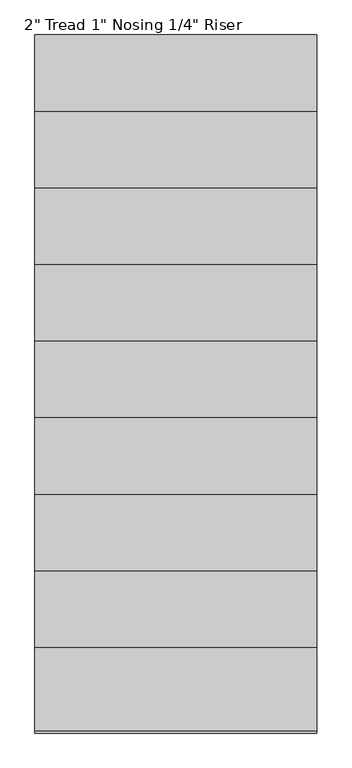
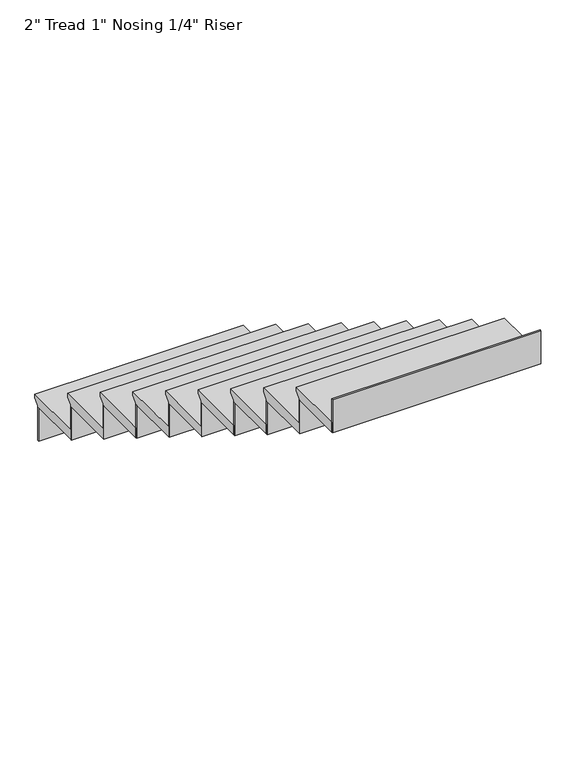
"""IFC4 building model written with IfcOpenShell, lengths in millimetres: stair flight geometry."""

from ifc_helpers import new_model, si_unit, frame, origin, place, context, project, spatial, polyline, outline, extrude, source, transform, mapped, element, save


def stair_flight_2a2fae5f(model_context):
    return source(origin(), model_context, "Body", "SweptSolid", [
        extrude(outline(polyline([(4835.2460566, 41866.4571429), (5140.0460566, 41866.4571429), (5140.0460566, 41847.4071429), (5114.6460566, 41822.0071429), (5114.6460566, 41815.6571429), (4835.2460566, 41815.6571429), (4835.2460566, 41866.4571429)])), frame((6181.7069555, 0.0, 0.0), z_axis=(1.0, 0.0, 0.0), x_axis=(0.0, 1.0, 0.0)), (0.0, 0.0, 1.0), 1028.3259746),
        extrude(outline(polyline([(6181.7069555, 5108.2960566), (6181.7069555, 5114.6460566), (7210.0329301, 5114.6460566), (7210.0329301, 5108.2960566), (6181.7069555, 5108.2960566)])), frame((0.0, 0.0, 41641.4857143), z_axis=(0.0, 0.0, 1.0), x_axis=(1.0, 0.0, 0.0)), (0.0, 0.0, 1.0), 174.1714286),
        extrude(outline(polyline([(4555.8460566, 42040.6285714), (4860.6460566, 42040.6285714), (4860.6460566, 42021.5785714), (4835.2460566, 41996.1785714), (4835.2460566, 41989.8285714), (4555.8460566, 41989.8285714), (4555.8460566, 42040.6285714)])), frame((6181.7069555, 0.0, 0.0), z_axis=(1.0, 0.0, 0.0), x_axis=(0.0, 1.0, 0.0)), (0.0, 0.0, 1.0), 1028.3259746),
        extrude(outline(polyline([(6181.7069555, 4828.8960566), (6181.7069555, 4835.2460566), (7210.0329301, 4835.2460566), (7210.0329301, 4828.8960566), (6181.7069555, 4828.8960566)])), frame((0.0, 0.0, 41815.6571429), z_axis=(0.0, 0.0, 1.0), x_axis=(1.0, 0.0, 0.0)), (0.0, 0.0, 1.0), 174.1714286),
        extrude(outline(polyline([(4276.4460566, 42214.8), (4581.2460566, 42214.8), (4581.2460566, 42195.75), (4555.8460566, 42170.35), (4555.8460566, 42164.0), (4276.4460566, 42164.0), (4276.4460566, 42214.8)])), frame((6181.7069555, 0.0, 0.0), z_axis=(1.0, 0.0, 0.0), x_axis=(0.0, 1.0, 0.0)), (0.0, 0.0, 1.0), 1028.3259746),
        extrude(outline(polyline([(6181.7069555, 4549.4960566), (6181.7069555, 4555.8460566), (7210.0329301, 4555.8460566), (7210.0329301, 4549.4960566), (6181.7069555, 4549.4960566)])), frame((0.0, 0.0, 41989.8285714), z_axis=(0.0, 0.0, 1.0), x_axis=(1.0, 0.0, 0.0)), (0.0, 0.0, 1.0), 174.1714286),
        extrude(outline(polyline([(3997.0460566, 42388.9714286), (4301.8460566, 42388.9714286), (4301.8460566, 42369.9214286), (4276.4460566, 42344.5214286), (4276.4460566, 42338.1714286), (3997.0460566, 42338.1714286), (3997.0460566, 42388.9714286)])), frame((6181.7069555, 0.0, 0.0), z_axis=(1.0, 0.0, 0.0), x_axis=(0.0, 1.0, 0.0)), (0.0, 0.0, 1.0), 1028.3259746),
        extrude(outline(polyline([(6181.7069555, 4270.0960566), (6181.7069555, 4276.4460566), (7210.0329301, 4276.4460566), (7210.0329301, 4270.0960566), (6181.7069555, 4270.0960566)])), frame((0.0, 0.0, 42164.0), z_axis=(0.0, 0.0, 1.0), x_axis=(1.0, 0.0, 0.0)), (0.0, 0.0, 1.0), 174.1714286),
        extrude(outline(polyline([(3717.6460566, 42563.1428571), (4022.4460566, 42563.1428571), (4022.4460566, 42544.0928571), (3997.0460566, 42518.6928571), (3997.0460566, 42512.3428571), (3717.6460566, 42512.3428571), (3717.6460566, 42563.1428571)])), frame((6181.7069555, 0.0, 0.0), z_axis=(1.0, 0.0, 0.0), x_axis=(0.0, 1.0, 0.0)), (0.0, 0.0, 1.0), 1028.3259746),
        extrude(outline(polyline([(6181.7069555, 3990.6960566), (6181.7069555, 3997.0460566), (7210.0329301, 3997.0460566), (7210.0329301, 3990.6960566), (6181.7069555, 3990.6960566)])), frame((0.0, 0.0, 42338.1714286), z_axis=(0.0, 0.0, 1.0), x_axis=(1.0, 0.0, 0.0)), (0.0, 0.0, 1.0), 174.1714286),
        extrude(outline(polyline([(3438.2460566, 42737.3142857), (3743.0460566, 42737.3142857), (3743.0460566, 42718.2642857), (3717.6460566, 42692.8642857), (3717.6460566, 42686.5142857), (3438.2460566, 42686.5142857), (3438.2460566, 42737.3142857)])), frame((6181.7069555, 0.0, 0.0), z_axis=(1.0, 0.0, 0.0), x_axis=(0.0, 1.0, 0.0)), (0.0, 0.0, 1.0), 1028.3259746),
        extrude(outline(polyline([(6181.7069555, 3711.2960566), (6181.7069555, 3717.6460566), (7210.0329301, 3717.6460566), (7210.0329301, 3711.2960566), (6181.7069555, 3711.2960566)])), frame((0.0, 0.0, 42512.3428571), z_axis=(0.0, 0.0, 1.0), x_axis=(1.0, 0.0, 0.0)), (0.0, 0.0, 1.0), 174.1714286),
        extrude(outline(polyline([(3158.8460566, 42911.4857143), (3463.6460566, 42911.4857143), (3463.6460566, 42892.4357143), (3438.2460566, 42867.0357143), (3438.2460566, 42860.6857143), (3158.8460566, 42860.6857143), (3158.8460566, 42911.4857143)])), frame((6181.7069555, 0.0, 0.0), z_axis=(1.0, 0.0, 0.0), x_axis=(0.0, 1.0, 0.0)), (0.0, 0.0, 1.0), 1028.3259746),
        extrude(outline(polyline([(6181.7069555, 3431.8960566), (6181.7069555, 3438.2460566), (7210.0329301, 3438.2460566), (7210.0329301, 3431.8960566), (6181.7069555, 3431.8960566)])), frame((0.0, 0.0, 42686.5142857), z_axis=(0.0, 0.0, 1.0), x_axis=(1.0, 0.0, 0.0)), (0.0, 0.0, 1.0), 174.1714286),
        extrude(outline(polyline([(2879.4460566, 43085.6571429), (3184.2460566, 43085.6571429), (3184.2460566, 43066.6071429), (3158.8460566, 43041.2071429), (3158.8460566, 43034.8571429), (2879.4460566, 43034.8571429), (2879.4460566, 43085.6571429)])), frame((6181.7069555, 0.0, 0.0), z_axis=(1.0, 0.0, 0.0), x_axis=(0.0, 1.0, 0.0)), (0.0, 0.0, 1.0), 1028.3259746),
        extrude(outline(polyline([(6181.7069555, 3152.4960566), (6181.7069555, 3158.8460566), (7210.0329301, 3158.8460566), (7210.0329301, 3152.4960566), (6181.7069555, 3152.4960566)])), frame((0.0, 0.0, 42860.6857143), z_axis=(0.0, 0.0, 1.0), x_axis=(1.0, 0.0, 0.0)), (0.0, 0.0, 1.0), 174.1714286),
        extrude(outline(polyline([(2600.0460566, 43259.8285714), (2904.8460566, 43259.8285714), (2904.8460566, 43240.7785714), (2879.4460566, 43215.3785714), (2879.4460566, 43209.0285714), (2600.0460566, 43209.0285714), (2600.0460566, 43259.8285714)])), frame((6181.7069555, 0.0, 0.0), z_axis=(1.0, 0.0, 0.0), x_axis=(0.0, 1.0, 0.0)), (0.0, 0.0, 1.0), 1028.3259746),
        extrude(outline(polyline([(6181.7069555, 2873.0960566), (6181.7069555, 2879.4460566), (7210.0329301, 2879.4460566), (7210.0329301, 2873.0960566), (6181.7069555, 2873.0960566)])), frame((0.0, 0.0, 43034.8571429), z_axis=(0.0, 0.0, 1.0), x_axis=(1.0, 0.0, 0.0)), (0.0, 0.0, 1.0), 174.1714286),
        extrude(outline(polyline([(6181.7069555, 2593.6960566), (6181.7069555, 2600.0460566), (7210.0329301, 2600.0460566), (7210.0329301, 2593.6960566), (6181.7069555, 2593.6960566)])), frame((0.0, 0.0, 43209.0285714), z_axis=(0.0, 0.0, 1.0), x_axis=(1.0, 0.0, 0.0)), (0.0, 0.0, 1.0), 174.1714286),
    ])


if __name__ == "__main__":
    model = new_model("IFC4")
    model_context = context("Model", 3, world=origin())
    ifc_project = project(units=[si_unit("LENGTHUNIT", "METRE", prefix="MILLI")], contexts=[model_context])
    site = spatial("IfcSite", under=ifc_project)
    building = spatial("IfcBuilding", under=site)
    placement = place(None, origin())
    stair_flight_shape = stair_flight_2a2fae5f(model_context)
    element("IfcStairFlight", 1, ObjectType="2\" Tread 1\" Nosing 1/4\" Riser", at=placement, inside=building, context=model_context, shape_type="MappedRepresentation", body=[
        mapped(stair_flight_shape, transform((0.0, 0.0, 0.0), x_axis=(1.0, 0.0, 0.0), y_axis=(0.0, 1.0, 0.0), z_axis=(0.0, 0.0, 1.0))),
    ])
    save(model, "model.ifc")
